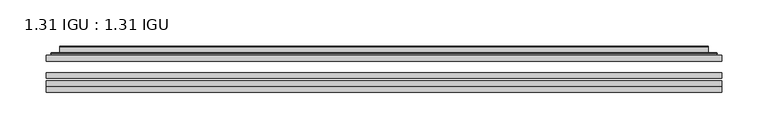
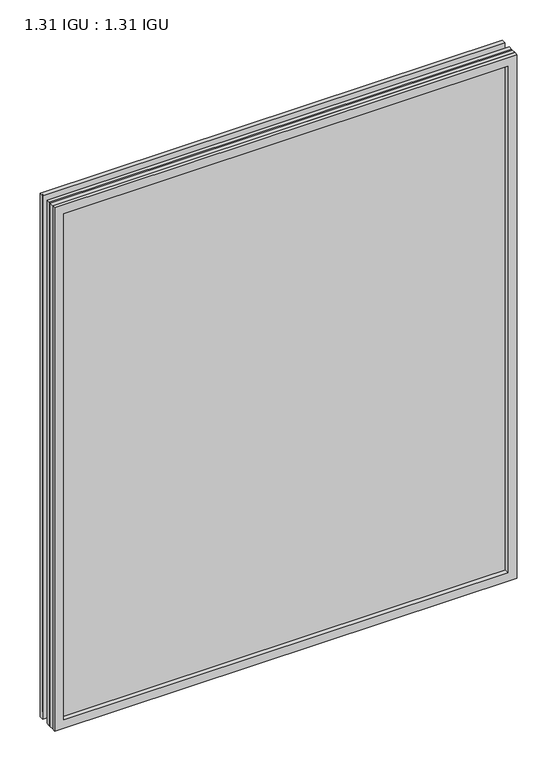
"""IFC4 building model written with IfcOpenShell, lengths in millimetres: plate geometry, 1.31 IGU : 1.31 IGU."""

from ifc_helpers import new_model, si_unit, frame, origin, place, context, project, spatial, polyline, ellipse_curve, outline, extrude, faceted_brep, source, transform, mapped, element, save
from ifc_brep_helpers import plane_surface, cylinder_surface, advanced_brep


def plate_1_31_igu_1_31_igu_e9f6e979(model_context):
    return source(origin(), model_context, "Body", "SolidModel", [
        extrude(outline(polyline([(363.5949209, -63.2975937), (363.5949209, -69.6475938), (-363.5807459, -69.6475938), (-363.5807459, -63.2975937), (363.5949209, -63.2975937)])), frame((0.0, 0.0, -14.2875), z_axis=(0.0, 0.0, 1.0), x_axis=(1.0, 0.0, 0.0)), (0.0, 0.0, 1.0), 869.9537979),
        extrude(outline(polyline([(-363.5807459, -78.2835938), (-363.5807459, -71.9330887), (363.5949209, -71.9330887), (363.5949209, -78.2835938), (-363.5807459, -78.2835938)])), frame((0.0, 0.0, -14.2875), z_axis=(0.0, 0.0, 1.0), x_axis=(1.0, 0.0, 0.0)), (0.0, 0.0, 1.0), 869.9537979),
        extrude(outline(polyline([(363.5949209, -44.9587937), (363.5949209, -51.3087938), (-363.5807459, -51.3087938), (-363.5807459, -44.9587937), (363.5949209, -44.9587937)])), frame((0.0, 0.0, -14.2875), z_axis=(0.0, 0.0, 1.0), x_axis=(1.0, 0.0, 0.0)), (0.0, 0.0, 1.0), 869.9537979),
        faceted_brep([(-363.5934459, -84.6335937, 855.6752), (-363.5934459, -78.2835937, 855.6752), (-363.5934459, -78.2835937, -14.3002), (-363.5934459, -84.6335937, -14.3002), (363.5934459, -78.2835937, -14.3002), (363.5934459, -84.6335937, -14.3002), (363.5934459, -78.2835937, 855.6752), (363.5934459, -84.6335937, 855.6752), (-348.3955018, -78.2835937, 0.8977441), (348.3955018, -78.2835937, 0.8977441), (348.3955018, -78.2835937, 840.4772559), (-348.3955018, -78.2835937, 840.4772559), (-349.2879361, -84.6335937, 841.3696902), (349.2879361, -84.6335937, 841.3696902), (349.2879361, -84.6335937, 0.0053098), (-349.2879361, -84.6335937, 0.0053098)], [[[0, 1, 2, 3]], [[3, 2, 4, 5]], [[5, 4, 6, 7]], [[1, 6, 4, 2], [8, 9, 10, 11]], [[7, 6, 1, 0]], [[3, 5, 7, 0], [12, 13, 14, 15]], [[11, 12, 15, 8]], [[8, 15, 14, 9]], [[9, 14, 13, 10]], [[10, 13, 12, 11]]]),
        advanced_brep(
        [(-356.339465, -44.9587937, 848.421219), (-358.6936703, -42.9691271, 850.7754244), (-358.6936703, -42.9691271, -9.4004244), (-356.339465, -44.9587937, -7.046219), (-347.2651398, -41.1187568, 839.3468939), (-342.330308, -44.9587937, 834.4120621), (-342.330308, -44.9587937, 6.9629379), (-347.2651398, -41.1187568, 2.0281061), (-348.2971676, -35.7215256, 840.3789217), (-348.2971676, -35.7215256, 0.9960783), (-349.2878244, -35.3225507, 841.3695784), (-349.2878244, -35.3225507, 0.0054216), (-349.2878244, -41.7837937, 841.3695784), (-349.2878244, -41.7837937, 0.0054216), (-357.6918808, -41.7837937, 849.7736349), (-357.6918808, -41.7837937, -8.3986349), (358.6936703, -42.9691271, -9.4004244), (356.339465, -44.9587937, -7.046219), (342.330308, -44.9587937, 6.9629379), (347.2651398, -41.1187568, 2.0281061), (348.2971676, -35.7215256, 0.9960783), (349.2878244, -35.3225507, 0.0054216), (349.2878244, -41.7837937, 0.0054216), (357.6918808, -41.7837937, -8.3986349), (358.6936703, -42.9691271, 850.7754244), (356.339465, -44.9587937, 848.421219), (342.330308, -44.9587937, 834.4120621), (347.2651398, -41.1187568, 839.3468939), (348.2971676, -35.7215256, 840.3789217), (349.2878244, -35.3225507, 841.3695784), (349.2878244, -41.7837937, 841.3695784), (357.6918808, -41.7837937, 849.7736349)],
        [
            (0, 1, ellipse_curve(frame((-356.339465, -42.5711937, 848.421219), z_axis=(-0.7071067811865475, 0.0, -0.7071067811865475), x_axis=(-0.7071067811865474, 0.0, 0.7071067811865476)), 3.3765763, 2.3876)),
            (1, 2),
            (2, 3, ellipse_curve(frame((-356.339465, -42.5711937, -7.046219), z_axis=(-0.7071067811865475, 0.0, 0.7071067811865475), x_axis=(0.7071067811865474, 0.0, 0.7071067811865476)), 3.3765763, 2.3876)),
            (3, 0),
            (4, 5),
            (5, 6),
            (6, 7),
            (7, 4),
            (8, 4),
            (7, 9),
            (9, 8),
            (10, 8, ellipse_curve(frame((-348.9208678, -35.840786, 841.0026219), z_axis=(-0.7071067811865475, 0.0, -0.7071067811865475), x_axis=(-0.7071067811865474, 0.0, 0.7071067811865476)), 0.8980256, 0.635)),
            (9, 11, ellipse_curve(frame((-348.9208678, -35.840786, 0.3723781), z_axis=(-0.7071067811865475, 0.0, 0.7071067811865475), x_axis=(0.7071067811865474, 0.0, 0.7071067811865476)), 0.8980256, 0.635)),
            (11, 10),
            (12, 10),
            (11, 13),
            (13, 12),
            (1, 14, ellipse_curve(frame((-357.6918808, -42.7997937, 849.7736349), z_axis=(-0.7071067811865475, 0.0, -0.7071067811865475), x_axis=(-0.7071067811865474, 0.0, 0.7071067811865476)), 1.436841, 1.016)),
            (14, 15),
            (15, 2, ellipse_curve(frame((-357.6918808, -42.7997937, -8.3986349), z_axis=(-0.7071067811865475, 0.0, 0.7071067811865475), x_axis=(0.7071067811865474, 0.0, 0.7071067811865476)), 1.436841, 1.016)),
            (2, 16),
            (16, 17, ellipse_curve(frame((356.339465, -42.5711937, -7.046219), z_axis=(-0.7071067811865475, 0.0, -0.7071067811865475), x_axis=(-0.7071067811865476, 0.0, 0.7071067811865474)), 3.3765763, 2.3876)),
            (17, 3),
            (6, 18),
            (18, 19),
            (19, 7),
            (19, 20),
            (20, 9),
            (20, 21, ellipse_curve(frame((348.9208678, -35.840786, 0.3723781), z_axis=(-0.7071067811865475, 0.0, -0.7071067811865475), x_axis=(-0.7071067811865476, 0.0, 0.7071067811865474)), 0.8980256, 0.635)),
            (21, 11),
            (21, 22),
            (22, 13),
            (15, 23),
            (23, 16, ellipse_curve(frame((357.6918808, -42.7997937, -8.3986349), z_axis=(-0.7071067811865475, 0.0, -0.7071067811865475), x_axis=(-0.7071067811865476, 0.0, 0.7071067811865474)), 1.436841, 1.016)),
            (16, 24),
            (24, 25, ellipse_curve(frame((356.339465, -42.5711937, 848.421219), z_axis=(0.7071067811865475, 0.0, -0.7071067811865475), x_axis=(-0.7071067811865474, 0.0, -0.7071067811865476)), 3.3765763, 2.3876)),
            (25, 17),
            (18, 26),
            (26, 27),
            (27, 19),
            (27, 28),
            (28, 20),
            (28, 29, ellipse_curve(frame((348.9208678, -35.840786, 841.0026219), z_axis=(0.7071067811865475, 0.0, -0.7071067811865475), x_axis=(-0.7071067811865474, 0.0, -0.7071067811865476)), 0.8980256, 0.635)),
            (29, 21),
            (29, 30),
            (30, 22),
            (23, 31),
            (31, 24, ellipse_curve(frame((357.6918808, -42.7997937, 849.7736349), z_axis=(0.7071067811865475, 0.0, -0.7071067811865475), x_axis=(-0.7071067811865474, 0.0, -0.7071067811865476)), 1.436841, 1.016)),
            (24, 1),
            (0, 25),
            (5, 26),
            (4, 27),
            (8, 28),
            (10, 29),
            (12, 30),
            (14, 31),
        ],
        [
            cylinder_surface(frame((-356.339465, -42.5711937, 873.125), z_axis=(0.0, 0.0, 1.0), x_axis=(-1.0, 0.0, 0.0)), 2.3876),
            plane_surface(frame((-342.330308, -44.9587937, 834.4120621), z_axis=(0.6141233906514794, 0.7892100234124821, 0.0), x_axis=(0.0, 0.0, -1.0))),
            plane_surface(frame((-347.2651398, -41.1187568, 839.3468939), z_axis=(0.9822050625507729, 0.18781164793386074, 0.0), x_axis=(0.0, 0.0, -1.0))),
            cylinder_surface(frame((-348.9208678, -35.840786, 873.125), z_axis=(0.0, 0.0, 1.0), x_axis=(-1.0, 0.0, 0.0)), 0.635),
            plane_surface(frame((-349.2878244, -35.3225507, 841.3695784), z_axis=(-1.0, 0.0, 0.0), x_axis=(0.0, 0.0, -1.0))),
            cylinder_surface(frame((-357.6918808, -42.7997937, 873.125), z_axis=(0.0, 0.0, 1.0), x_axis=(-1.0, 0.0, 0.0)), 1.016),
            cylinder_surface(frame((-381.0432459, -42.5711937, -7.046219), z_axis=(-1.0, 0.0, 0.0), x_axis=(0.0, 0.0, -1.0)), 2.3876),
            plane_surface(frame((-342.330308, -44.9587937, 6.9629379), z_axis=(0.0, 0.7892100234124841, 0.6141233906514768), x_axis=(1.0, 0.0, 0.0))),
            plane_surface(frame((-347.2651398, -41.1187568, 2.0281061), z_axis=(0.0, 0.18781164793386393, 0.9822050625507723), x_axis=(1.0, 0.0, 0.0))),
            cylinder_surface(frame((-381.0432459, -35.840786, 0.3723781), z_axis=(-1.0, 0.0, 0.0), x_axis=(0.0, 0.0, -1.0)), 0.635),
            plane_surface(frame((-349.2878244, -35.3225507, 0.0054216), z_axis=(0.0, 0.0, -1.0), x_axis=(1.0, 0.0, 0.0))),
            cylinder_surface(frame((-381.0432459, -42.7997937, -8.3986349), z_axis=(-1.0, 0.0, 0.0), x_axis=(0.0, 0.0, -1.0)), 1.016),
            cylinder_surface(frame((356.339465, -42.5711937, -31.75), z_axis=(0.0, 0.0, -1.0), x_axis=(1.0, 0.0, 0.0)), 2.3876),
            plane_surface(frame((342.330308, -44.9587937, 6.9629379), z_axis=(-0.6141233906514743, 0.7892100234124861, 0.0), x_axis=(0.0, 0.0, 1.0))),
            plane_surface(frame((347.2651398, -41.1187568, 2.0281061), z_axis=(-0.9822050625507718, 0.18781164793386712, 0.0), x_axis=(0.0, 0.0, 1.0))),
            cylinder_surface(frame((348.9208678, -35.840786, -31.75), z_axis=(0.0, 0.0, -1.0), x_axis=(1.0, 0.0, 0.0)), 0.635),
            plane_surface(frame((349.2878244, -35.3225507, 0.0054216), z_axis=(1.0, 0.0, 0.0), x_axis=(0.0, 0.0, 1.0))),
            cylinder_surface(frame((357.6918808, -42.7997937, -31.75), z_axis=(0.0, 0.0, -1.0), x_axis=(1.0, 0.0, 0.0)), 1.016),
            cylinder_surface(frame((381.0432459, -42.5711937, 848.421219), z_axis=(1.0, 0.0, 0.0), x_axis=(0.0, 0.0, 1.0)), 2.3876),
            plane_surface(frame((356.339465, -44.9587937, 848.421219), z_axis=(0.0, -1.0, 0.0), x_axis=(-1.0, 0.0, 0.0))),
            plane_surface(frame((342.330308, -44.9587937, 834.4120621), z_axis=(0.0, 0.7892100234124841, -0.6141233906514768), x_axis=(-1.0, 0.0, 0.0))),
            plane_surface(frame((347.2651398, -41.1187568, 839.3468939), z_axis=(0.0, 0.18781164793386393, -0.9822050625507723), x_axis=(-1.0, 0.0, 0.0))),
            cylinder_surface(frame((381.0432459, -35.840786, 841.0026219), z_axis=(1.0, 0.0, 0.0), x_axis=(0.0, 0.0, 1.0)), 0.635),
            plane_surface(frame((349.2878244, -35.3225507, 841.3695784), z_axis=(0.0, 0.0, 1.0), x_axis=(-1.0, 0.0, 0.0))),
            plane_surface(frame((349.2878244, -41.7837937, 841.3695784), z_axis=(0.0, 1.0, 0.0), x_axis=(-1.0, 0.0, 0.0))),
            cylinder_surface(frame((381.0432459, -42.7997937, 849.7736349), z_axis=(1.0, 0.0, 0.0), x_axis=(0.0, 0.0, 1.0)), 1.016),
        ],
        [
            (0, [[1, 2, 3, 4]]),
            (1, [[5, 6, 7, 8]]),
            (2, [[9, -8, 10, 11]]),
            (3, [[12, -11, 13, 14]]),
            (4, [[15, -14, 16, 17]]),
            (5, [[18, 19, 20, -2]]),
            (6, [[-3, 21, 22, 23]]),
            (7, [[-7, 24, 25, 26]]),
            (8, [[-10, -26, 27, 28]]),
            (9, [[-13, -28, 29, 30]]),
            (10, [[-16, -30, 31, 32]]),
            (11, [[-20, 33, 34, -21]]),
            (12, [[-22, 35, 36, 37]]),
            (13, [[-25, 38, 39, 40]]),
            (14, [[-27, -40, 41, 42]]),
            (15, [[-29, -42, 43, 44]]),
            (16, [[-31, -44, 45, 46]]),
            (17, [[-34, 47, 48, -35]]),
            (18, [[-36, 49, -1, 50]]),
            (19, [[-23, -37, -50, -4], [51, -38, -24, -6]]),
            (20, [[-39, -51, -5, 52]]),
            (21, [[-41, -52, -9, 53]]),
            (22, [[-43, -53, -12, 54]]),
            (23, [[-45, -54, -15, 55]]),
            (24, [[56, -47, -33, -19], [-32, -46, -55, -17]]),
            (25, [[-48, -56, -18, -49]]),
        ],
    ),
    ])


if __name__ == "__main__":
    model = new_model("IFC4")
    model_context = context("Model", 3, world=origin())
    ifc_project = project(units=[si_unit("LENGTHUNIT", "METRE", prefix="MILLI")], contexts=[model_context])
    site = spatial("IfcSite", under=ifc_project)
    building = spatial("IfcBuilding", under=site)
    placement = place(None, origin())
    plate_1_31_igu_1_31_igu_shape = plate_1_31_igu_1_31_igu_e9f6e979(model_context)
    element("IfcPlate", 1, ObjectType="1.31 IGU : 1.31 IGU", at=placement, inside=building, context=model_context, shape_type="MappedRepresentation", body=[
        mapped(plate_1_31_igu_1_31_igu_shape, transform((0.0, 0.0, 0.0), x_axis=(1.0, 0.0, 0.0), y_axis=(0.0, 1.0, 0.0), z_axis=(0.0, 0.0, 1.0))),
    ])
    save(model, "model.ifc")
